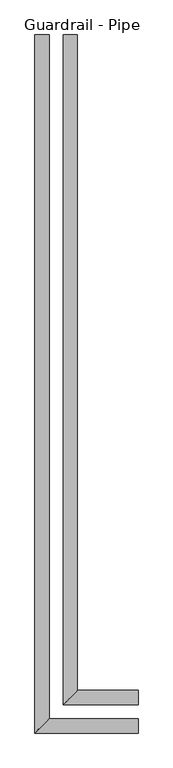
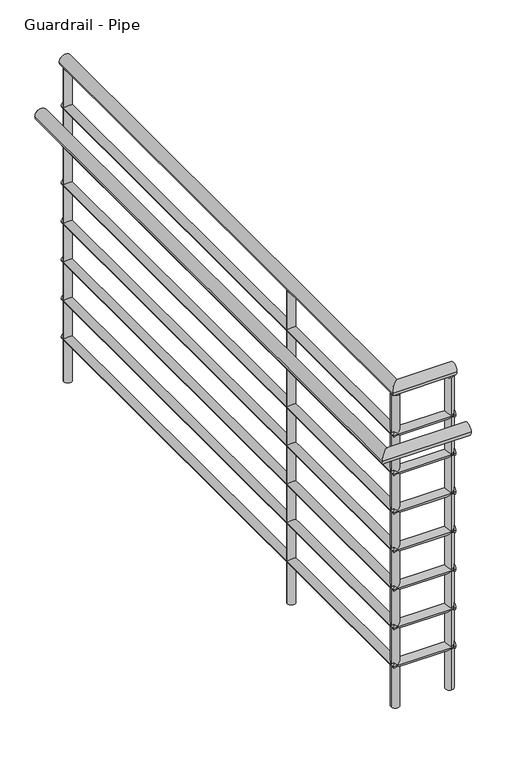
"""IFC4 building model written with IfcOpenShell, lengths in millimetres: railing geometry, Guardrail - Pipe."""

from ifc_helpers import new_model, si_unit, point, frame, frame_2d, origin, place, context, project, spatial, circle_curve, ellipse_curve, trimmed, segment, composite_curve, outline, extrude, source, transform, mapped, element, save
from ifc_brep_helpers import plane_surface, cylinder_surface, advanced_brep


def guardrail_pipe_7a0fd246(model_context):
    return source(origin(), model_context, "Body", "SolidModel", [
        advanced_brep(
        [(2522.9534014, 3422.4830185, 1197.75), (2561.0534014, 3422.4830185, 1197.75), (2723.7534014, 1623.5558469, 1197.75), (2723.7534014, 1661.6558469, 1197.75), (2522.9534014, 1623.5558469, 1197.75), (2561.0534014, 1661.6558469, 1197.75)],
        [
            (0, 1, circle_curve(frame((2542.0034014, 3422.4830185, 1197.75), z_axis=(0.0, 1.0, 0.0), x_axis=(1.0, 0.0, 0.0)), 19.05)),
            (1, 0, circle_curve(frame((2542.0034014, 3422.4830185, 1197.75), z_axis=(0.0, 1.0, 0.0), x_axis=(1.0, 0.0, 0.0)), 19.05)),
            (2, 3, circle_curve(frame((2723.7534014, 1642.6058469, 1197.75), z_axis=(1.0, 0.0, 0.0), x_axis=(0.0, 1.0, 0.0)), 19.05)),
            (3, 2, circle_curve(frame((2723.7534014, 1642.6058469, 1197.75), z_axis=(1.0, 0.0, 0.0), x_axis=(0.0, 1.0, 0.0)), 19.05)),
            (0, 4),
            (4, 5, ellipse_curve(frame((2542.0034014, 1642.6058469, 1197.75), z_axis=(-0.7071067811865455, 0.7071067811865497, 0.0), x_axis=(0.7071067811865498, 0.7071067811865452, 0.0)), 26.9407684, 19.05)),
            (5, 1),
            (5, 4, ellipse_curve(frame((2542.0034014, 1642.6058469, 1197.75), z_axis=(-0.7071067811865455, 0.7071067811865497, 0.0), x_axis=(0.7071067811865498, 0.7071067811865452, 0.0)), 26.9407684, 19.05)),
            (4, 2),
            (3, 5),
        ],
        [
            plane_surface(frame((2542.0034014, 3422.4830185, 1216.8), z_axis=(0.0, 1.0, 0.0), x_axis=(0.0, 0.0, -1.0))),
            plane_surface(frame((2723.7534014, 1642.6058469, 1216.8), z_axis=(1.0, 0.0, 0.0), x_axis=(0.0, 1.0, 0.0))),
            cylinder_surface(frame((2542.0034014, 3422.4830185, 1197.75), z_axis=(0.0, 1.0, 0.0), x_axis=(1.0, 0.0, 0.0)), 19.05),
            cylinder_surface(frame((2542.0034014, 1642.6058469, 1197.75), z_axis=(-1.0, 0.0, 0.0), x_axis=(0.0, 1.0, 0.0)), 19.05),
        ],
        [
            (0, [[1, 2]]),
            (1, [[3, 4]]),
            (2, [[-1, 5, 6, 7]]),
            (2, [[-2, -7, 8, -5]]),
            (3, [[-6, 9, -4, 10]]),
            (3, [[-8, -10, -3, -9]]),
        ],
    ),
        advanced_brep(
        [(2529.3034014, 3422.4830185, 1051.7), (2554.7034014, 3422.4830185, 1051.7), (2529.3034014, 1629.9058469, 1051.7), (2554.7034014, 1655.3058469, 1051.7), (2723.7534014, 1629.9058469, 1051.7), (2723.7534014, 1655.3058469, 1051.7)],
        [
            (0, 1, circle_curve(frame((2542.0034014, 3422.4830185, 1051.7), z_axis=(0.0, 1.0, 0.0), x_axis=(1.0, 0.0, 0.0)), 12.7)),
            (1, 0, circle_curve(frame((2542.0034014, 3422.4830185, 1051.7), z_axis=(0.0, 1.0, 0.0), x_axis=(1.0, 0.0, 0.0)), 12.7)),
            (0, 2),
            (2, 3, ellipse_curve(frame((2542.0034014, 1642.6058469, 1051.7), z_axis=(-0.7071067811865455, 0.7071067811865497, 0.0), x_axis=(0.7071067811865498, 0.7071067811865452, 0.0)), 17.9605122, 12.7)),
            (3, 1),
            (3, 2, ellipse_curve(frame((2542.0034014, 1642.6058469, 1051.7), z_axis=(-0.7071067811865455, 0.7071067811865497, 0.0), x_axis=(0.7071067811865498, 0.7071067811865452, 0.0)), 17.9605122, 12.7)),
            (4, 5, circle_curve(frame((2723.7534014, 1642.6058469, 1051.7), z_axis=(1.0, 0.0, 0.0), x_axis=(0.0, 1.0, 0.0)), 12.7)),
            (5, 4, circle_curve(frame((2723.7534014, 1642.6058469, 1051.7), z_axis=(1.0, 0.0, 0.0), x_axis=(0.0, 1.0, 0.0)), 12.7)),
            (2, 4),
            (5, 3),
        ],
        [
            plane_surface(frame((2542.0034014, 3422.4830185, 1064.4), z_axis=(0.0, 1.0, 0.0), x_axis=(0.0, 0.0, -1.0))),
            cylinder_surface(frame((2542.0034014, 3422.4830185, 1051.7), z_axis=(0.0, 1.0, 0.0), x_axis=(1.0, 0.0, 0.0)), 12.7),
            plane_surface(frame((2723.7534014, 1642.6058469, 1064.4), z_axis=(1.0, 0.0, 0.0), x_axis=(0.0, 1.0, 0.0))),
            cylinder_surface(frame((2542.0034014, 1642.6058469, 1051.7), z_axis=(-1.0, 0.0, 0.0), x_axis=(0.0, 1.0, 0.0)), 12.7),
        ],
        [
            (0, [[1, 2]]),
            (1, [[-1, 3, 4, 5]]),
            (1, [[-2, -5, 6, -3]]),
            (2, [[7, 8]]),
            (3, [[-4, 9, -8, 10]]),
            (3, [[-6, -10, -7, -9]]),
        ],
    ),
        advanced_brep(
        [(2446.7534014, 3422.4830185, 1045.35), (2484.8534014, 3422.4830185, 1045.35), (2446.7534014, 1547.3558469, 1045.35), (2484.8534014, 1585.4558469, 1045.35), (2723.7534014, 1547.3558469, 1045.35), (2723.7534014, 1585.4558469, 1045.35)],
        [
            (0, 1, circle_curve(frame((2465.8034014, 3422.4830185, 1045.35), z_axis=(0.0, 1.0, 0.0), x_axis=(1.0, 0.0, 0.0)), 19.05)),
            (1, 0, circle_curve(frame((2465.8034014, 3422.4830185, 1045.35), z_axis=(0.0, 1.0, 0.0), x_axis=(1.0, 0.0, 0.0)), 19.05)),
            (0, 2),
            (2, 3, ellipse_curve(frame((2465.8034014, 1566.4058469, 1045.35), z_axis=(-0.7071067811865455, 0.7071067811865497, 0.0), x_axis=(0.7071067811865498, 0.7071067811865452, 0.0)), 26.9407684, 19.05)),
            (3, 1),
            (3, 2, ellipse_curve(frame((2465.8034014, 1566.4058469, 1045.35), z_axis=(-0.7071067811865455, 0.7071067811865497, 0.0), x_axis=(0.7071067811865498, 0.7071067811865452, 0.0)), 26.9407684, 19.05)),
            (4, 5, circle_curve(frame((2723.7534014, 1566.4058469, 1045.35), z_axis=(1.0, 0.0, 0.0), x_axis=(0.0, 1.0, 0.0)), 19.05)),
            (5, 4, circle_curve(frame((2723.7534014, 1566.4058469, 1045.35), z_axis=(1.0, 0.0, 0.0), x_axis=(0.0, 1.0, 0.0)), 19.05)),
            (2, 4),
            (5, 3),
        ],
        [
            plane_surface(frame((2465.8034014, 3422.4830185, 1064.4), z_axis=(0.0, 1.0, 0.0), x_axis=(0.0, 0.0, -1.0))),
            cylinder_surface(frame((2465.8034014, 3422.4830185, 1045.35), z_axis=(0.0, 1.0, 0.0), x_axis=(1.0, 0.0, 0.0)), 19.05),
            plane_surface(frame((2723.7534014, 1566.4058469, 1064.4), z_axis=(1.0, 0.0, 0.0), x_axis=(0.0, 1.0, 0.0))),
            cylinder_surface(frame((2465.8034014, 1566.4058469, 1045.35), z_axis=(-1.0, 0.0, 0.0), x_axis=(0.0, 1.0, 0.0)), 19.05),
        ],
        [
            (0, [[1, 2]]),
            (1, [[-1, 3, 4, 5]]),
            (1, [[-2, -5, 6, -3]]),
            (2, [[7, 8]]),
            (3, [[-4, 9, -8, 10]]),
            (3, [[-6, -10, -7, -9]]),
        ],
    ),
        advanced_brep(
        [(2529.3034014, 3422.4830185, 924.7), (2554.7034014, 3422.4830185, 924.7), (2529.3034014, 1629.9058469, 924.7), (2554.7034014, 1655.3058469, 924.7), (2723.7534014, 1629.9058469, 924.7), (2723.7534014, 1655.3058469, 924.7)],
        [
            (0, 1, circle_curve(frame((2542.0034014, 3422.4830185, 924.7), z_axis=(0.0, 1.0, 0.0), x_axis=(1.0, 0.0, 0.0)), 12.7)),
            (1, 0, circle_curve(frame((2542.0034014, 3422.4830185, 924.7), z_axis=(0.0, 1.0, 0.0), x_axis=(1.0, 0.0, 0.0)), 12.7)),
            (0, 2),
            (2, 3, ellipse_curve(frame((2542.0034014, 1642.6058469, 924.7), z_axis=(-0.7071067811865455, 0.7071067811865497, 0.0), x_axis=(0.7071067811865498, 0.7071067811865452, 0.0)), 17.9605122, 12.7)),
            (3, 1),
            (3, 2, ellipse_curve(frame((2542.0034014, 1642.6058469, 924.7), z_axis=(-0.7071067811865455, 0.7071067811865497, 0.0), x_axis=(0.7071067811865498, 0.7071067811865452, 0.0)), 17.9605122, 12.7)),
            (4, 5, circle_curve(frame((2723.7534014, 1642.6058469, 924.7), z_axis=(1.0, 0.0, 0.0), x_axis=(0.0, 1.0, 0.0)), 12.7)),
            (5, 4, circle_curve(frame((2723.7534014, 1642.6058469, 924.7), z_axis=(1.0, 0.0, 0.0), x_axis=(0.0, 1.0, 0.0)), 12.7)),
            (2, 4),
            (5, 3),
        ],
        [
            plane_surface(frame((2542.0034014, 3422.4830185, 937.4), z_axis=(0.0, 1.0, 0.0), x_axis=(0.0, 0.0, -1.0))),
            cylinder_surface(frame((2542.0034014, 3422.4830185, 924.7), z_axis=(0.0, 1.0, 0.0), x_axis=(1.0, 0.0, 0.0)), 12.7),
            plane_surface(frame((2723.7534014, 1642.6058469, 937.4), z_axis=(1.0, 0.0, 0.0), x_axis=(0.0, 1.0, 0.0))),
            cylinder_surface(frame((2542.0034014, 1642.6058469, 924.7), z_axis=(-1.0, 0.0, 0.0), x_axis=(0.0, 1.0, 0.0)), 12.7),
        ],
        [
            (0, [[1, 2]]),
            (1, [[-1, 3, 4, 5]]),
            (1, [[-2, -5, 6, -3]]),
            (2, [[7, 8]]),
            (3, [[-4, 9, -8, 10]]),
            (3, [[-6, -10, -7, -9]]),
        ],
    ),
        advanced_brep(
        [(2529.3034014, 3422.4830185, 797.7), (2554.7034014, 3422.4830185, 797.7), (2529.3034014, 1629.9058469, 797.7), (2554.7034014, 1655.3058469, 797.7), (2723.7534014, 1629.9058469, 797.7), (2723.7534014, 1655.3058469, 797.7)],
        [
            (0, 1, circle_curve(frame((2542.0034014, 3422.4830185, 797.7), z_axis=(0.0, 1.0, 0.0), x_axis=(1.0, 0.0, 0.0)), 12.7)),
            (1, 0, circle_curve(frame((2542.0034014, 3422.4830185, 797.7), z_axis=(0.0, 1.0, 0.0), x_axis=(1.0, 0.0, 0.0)), 12.7)),
            (0, 2),
            (2, 3, ellipse_curve(frame((2542.0034014, 1642.6058469, 797.7), z_axis=(-0.7071067811865455, 0.7071067811865497, 0.0), x_axis=(0.7071067811865498, 0.7071067811865452, 0.0)), 17.9605122, 12.7)),
            (3, 1),
            (3, 2, ellipse_curve(frame((2542.0034014, 1642.6058469, 797.7), z_axis=(-0.7071067811865455, 0.7071067811865497, 0.0), x_axis=(0.7071067811865498, 0.7071067811865452, 0.0)), 17.9605122, 12.7)),
            (4, 5, circle_curve(frame((2723.7534014, 1642.6058469, 797.7), z_axis=(1.0, 0.0, 0.0), x_axis=(0.0, 1.0, 0.0)), 12.7)),
            (5, 4, circle_curve(frame((2723.7534014, 1642.6058469, 797.7), z_axis=(1.0, 0.0, 0.0), x_axis=(0.0, 1.0, 0.0)), 12.7)),
            (2, 4),
            (5, 3),
        ],
        [
            plane_surface(frame((2542.0034014, 3422.4830185, 810.4), z_axis=(0.0, 1.0, 0.0), x_axis=(0.0, 0.0, -1.0))),
            cylinder_surface(frame((2542.0034014, 3422.4830185, 797.7), z_axis=(0.0, 1.0, 0.0), x_axis=(1.0, 0.0, 0.0)), 12.7),
            plane_surface(frame((2723.7534014, 1642.6058469, 810.4), z_axis=(1.0, 0.0, 0.0), x_axis=(0.0, 1.0, 0.0))),
            cylinder_surface(frame((2542.0034014, 1642.6058469, 797.7), z_axis=(-1.0, 0.0, 0.0), x_axis=(0.0, 1.0, 0.0)), 12.7),
        ],
        [
            (0, [[1, 2]]),
            (1, [[-1, 3, 4, 5]]),
            (1, [[-2, -5, 6, -3]]),
            (2, [[7, 8]]),
            (3, [[-4, 9, -8, 10]]),
            (3, [[-6, -10, -7, -9]]),
        ],
    ),
        advanced_brep(
        [(2529.3034014, 3422.4830185, 670.7), (2554.7034014, 3422.4830185, 670.7), (2529.3034014, 1629.9058469, 670.7), (2554.7034014, 1655.3058469, 670.7), (2723.7534014, 1629.9058469, 670.7), (2723.7534014, 1655.3058469, 670.7)],
        [
            (0, 1, circle_curve(frame((2542.0034014, 3422.4830185, 670.7), z_axis=(0.0, 1.0, 0.0), x_axis=(1.0, 0.0, 0.0)), 12.7)),
            (1, 0, circle_curve(frame((2542.0034014, 3422.4830185, 670.7), z_axis=(0.0, 1.0, 0.0), x_axis=(1.0, 0.0, 0.0)), 12.7)),
            (0, 2),
            (2, 3, ellipse_curve(frame((2542.0034014, 1642.6058469, 670.7), z_axis=(-0.7071067811865455, 0.7071067811865497, 0.0), x_axis=(0.7071067811865498, 0.7071067811865452, 0.0)), 17.9605122, 12.7)),
            (3, 1),
            (3, 2, ellipse_curve(frame((2542.0034014, 1642.6058469, 670.7), z_axis=(-0.7071067811865455, 0.7071067811865497, 0.0), x_axis=(0.7071067811865498, 0.7071067811865452, 0.0)), 17.9605122, 12.7)),
            (4, 5, circle_curve(frame((2723.7534014, 1642.6058469, 670.7), z_axis=(1.0, 0.0, 0.0), x_axis=(0.0, 1.0, 0.0)), 12.7)),
            (5, 4, circle_curve(frame((2723.7534014, 1642.6058469, 670.7), z_axis=(1.0, 0.0, 0.0), x_axis=(0.0, 1.0, 0.0)), 12.7)),
            (2, 4),
            (5, 3),
        ],
        [
            plane_surface(frame((2542.0034014, 3422.4830185, 683.4), z_axis=(0.0, 1.0, 0.0), x_axis=(0.0, 0.0, -1.0))),
            cylinder_surface(frame((2542.0034014, 3422.4830185, 670.7), z_axis=(0.0, 1.0, 0.0), x_axis=(1.0, 0.0, 0.0)), 12.7),
            plane_surface(frame((2723.7534014, 1642.6058469, 683.4), z_axis=(1.0, 0.0, 0.0), x_axis=(0.0, 1.0, 0.0))),
            cylinder_surface(frame((2542.0034014, 1642.6058469, 670.7), z_axis=(-1.0, 0.0, 0.0), x_axis=(0.0, 1.0, 0.0)), 12.7),
        ],
        [
            (0, [[1, 2]]),
            (1, [[-1, 3, 4, 5]]),
            (1, [[-2, -5, 6, -3]]),
            (2, [[7, 8]]),
            (3, [[-4, 9, -8, 10]]),
            (3, [[-6, -10, -7, -9]]),
        ],
    ),
        advanced_brep(
        [(2529.3034014, 3422.4830185, 543.7), (2554.7034014, 3422.4830185, 543.7), (2529.3034014, 1629.9058469, 543.7), (2554.7034014, 1655.3058469, 543.7), (2723.7534014, 1629.9058469, 543.7), (2723.7534014, 1655.3058469, 543.7)],
        [
            (0, 1, circle_curve(frame((2542.0034014, 3422.4830185, 543.7), z_axis=(0.0, 1.0, 0.0), x_axis=(1.0, 0.0, 0.0)), 12.7)),
            (1, 0, circle_curve(frame((2542.0034014, 3422.4830185, 543.7), z_axis=(0.0, 1.0, 0.0), x_axis=(1.0, 0.0, 0.0)), 12.7)),
            (0, 2),
            (2, 3, ellipse_curve(frame((2542.0034014, 1642.6058469, 543.7), z_axis=(-0.7071067811865455, 0.7071067811865497, 0.0), x_axis=(0.7071067811865498, 0.7071067811865452, 0.0)), 17.9605122, 12.7)),
            (3, 1),
            (3, 2, ellipse_curve(frame((2542.0034014, 1642.6058469, 543.7), z_axis=(-0.7071067811865455, 0.7071067811865497, 0.0), x_axis=(0.7071067811865498, 0.7071067811865452, 0.0)), 17.9605122, 12.7)),
            (4, 5, circle_curve(frame((2723.7534014, 1642.6058469, 543.7), z_axis=(1.0, 0.0, 0.0), x_axis=(0.0, 1.0, 0.0)), 12.7)),
            (5, 4, circle_curve(frame((2723.7534014, 1642.6058469, 543.7), z_axis=(1.0, 0.0, 0.0), x_axis=(0.0, 1.0, 0.0)), 12.7)),
            (2, 4),
            (5, 3),
        ],
        [
            plane_surface(frame((2542.0034014, 3422.4830185, 556.4), z_axis=(0.0, 1.0, 0.0), x_axis=(0.0, 0.0, -1.0))),
            cylinder_surface(frame((2542.0034014, 3422.4830185, 543.7), z_axis=(0.0, 1.0, 0.0), x_axis=(1.0, 0.0, 0.0)), 12.7),
            plane_surface(frame((2723.7534014, 1642.6058469, 556.4), z_axis=(1.0, 0.0, 0.0), x_axis=(0.0, 1.0, 0.0))),
            cylinder_surface(frame((2542.0034014, 1642.6058469, 543.7), z_axis=(-1.0, 0.0, 0.0), x_axis=(0.0, 1.0, 0.0)), 12.7),
        ],
        [
            (0, [[1, 2]]),
            (1, [[-1, 3, 4, 5]]),
            (1, [[-2, -5, 6, -3]]),
            (2, [[7, 8]]),
            (3, [[-4, 9, -8, 10]]),
            (3, [[-6, -10, -7, -9]]),
        ],
    ),
        advanced_brep(
        [(2529.3034014, 3422.4830185, 416.7), (2554.7034014, 3422.4830185, 416.7), (2529.3034014, 1629.9058469, 416.7), (2554.7034014, 1655.3058469, 416.7), (2723.7534014, 1629.9058469, 416.7), (2723.7534014, 1655.3058469, 416.7)],
        [
            (0, 1, circle_curve(frame((2542.0034014, 3422.4830185, 416.7), z_axis=(0.0, 1.0, 0.0), x_axis=(1.0, 0.0, 0.0)), 12.7)),
            (1, 0, circle_curve(frame((2542.0034014, 3422.4830185, 416.7), z_axis=(0.0, 1.0, 0.0), x_axis=(1.0, 0.0, 0.0)), 12.7)),
            (0, 2),
            (2, 3, ellipse_curve(frame((2542.0034014, 1642.6058469, 416.7), z_axis=(-0.7071067811865455, 0.7071067811865497, 0.0), x_axis=(0.7071067811865498, 0.7071067811865452, 0.0)), 17.9605122, 12.7)),
            (3, 1),
            (3, 2, ellipse_curve(frame((2542.0034014, 1642.6058469, 416.7), z_axis=(-0.7071067811865455, 0.7071067811865497, 0.0), x_axis=(0.7071067811865498, 0.7071067811865452, 0.0)), 17.9605122, 12.7)),
            (4, 5, circle_curve(frame((2723.7534014, 1642.6058469, 416.7), z_axis=(1.0, 0.0, 0.0), x_axis=(0.0, 1.0, 0.0)), 12.7)),
            (5, 4, circle_curve(frame((2723.7534014, 1642.6058469, 416.7), z_axis=(1.0, 0.0, 0.0), x_axis=(0.0, 1.0, 0.0)), 12.7)),
            (2, 4),
            (5, 3),
        ],
        [
            plane_surface(frame((2542.0034014, 3422.4830185, 429.4), z_axis=(0.0, 1.0, 0.0), x_axis=(0.0, 0.0, -1.0))),
            cylinder_surface(frame((2542.0034014, 3422.4830185, 416.7), z_axis=(0.0, 1.0, 0.0), x_axis=(1.0, 0.0, 0.0)), 12.7),
            plane_surface(frame((2723.7534014, 1642.6058469, 429.4), z_axis=(1.0, 0.0, 0.0), x_axis=(0.0, 1.0, 0.0))),
            cylinder_surface(frame((2542.0034014, 1642.6058469, 416.7), z_axis=(-1.0, 0.0, 0.0), x_axis=(0.0, 1.0, 0.0)), 12.7),
        ],
        [
            (0, [[1, 2]]),
            (1, [[-1, 3, 4, 5]]),
            (1, [[-2, -5, 6, -3]]),
            (2, [[7, 8]]),
            (3, [[-4, 9, -8, 10]]),
            (3, [[-6, -10, -7, -9]]),
        ],
    ),
        advanced_brep(
        [(2529.3034014, 3422.4830185, 289.7), (2554.7034014, 3422.4830185, 289.7), (2529.3034014, 1629.9058469, 289.7), (2554.7034014, 1655.3058469, 289.7), (2723.7534014, 1629.9058469, 289.7), (2723.7534014, 1655.3058469, 289.7)],
        [
            (0, 1, circle_curve(frame((2542.0034014, 3422.4830185, 289.7), z_axis=(0.0, 1.0, 0.0), x_axis=(1.0, 0.0, 0.0)), 12.7)),
            (1, 0, circle_curve(frame((2542.0034014, 3422.4830185, 289.7), z_axis=(0.0, 1.0, 0.0), x_axis=(1.0, 0.0, 0.0)), 12.7)),
            (0, 2),
            (2, 3, ellipse_curve(frame((2542.0034014, 1642.6058469, 289.7), z_axis=(-0.7071067811865455, 0.7071067811865497, 0.0), x_axis=(0.7071067811865498, 0.7071067811865452, 0.0)), 17.9605122, 12.7)),
            (3, 1),
            (3, 2, ellipse_curve(frame((2542.0034014, 1642.6058469, 289.7), z_axis=(-0.7071067811865455, 0.7071067811865497, 0.0), x_axis=(0.7071067811865498, 0.7071067811865452, 0.0)), 17.9605122, 12.7)),
            (4, 5, circle_curve(frame((2723.7534014, 1642.6058469, 289.7), z_axis=(1.0, 0.0, 0.0), x_axis=(0.0, 1.0, 0.0)), 12.7)),
            (5, 4, circle_curve(frame((2723.7534014, 1642.6058469, 289.7), z_axis=(1.0, 0.0, 0.0), x_axis=(0.0, 1.0, 0.0)), 12.7)),
            (2, 4),
            (5, 3),
        ],
        [
            plane_surface(frame((2542.0034014, 3422.4830185, 302.4), z_axis=(0.0, 1.0, 0.0), x_axis=(0.0, 0.0, -1.0))),
            cylinder_surface(frame((2542.0034014, 3422.4830185, 289.7), z_axis=(0.0, 1.0, 0.0), x_axis=(1.0, 0.0, 0.0)), 12.7),
            plane_surface(frame((2723.7534014, 1642.6058469, 302.4), z_axis=(1.0, 0.0, 0.0), x_axis=(0.0, 1.0, 0.0))),
            cylinder_surface(frame((2542.0034014, 1642.6058469, 289.7), z_axis=(-1.0, 0.0, 0.0), x_axis=(0.0, 1.0, 0.0)), 12.7),
        ],
        [
            (0, [[1, 2]]),
            (1, [[-1, 3, 4, 5]]),
            (1, [[-2, -5, 6, -3]]),
            (2, [[7, 8]]),
            (3, [[-4, 9, -8, 10]]),
            (3, [[-6, -10, -7, -9]]),
        ],
    ),
        extrude(outline(composite_curve([segment(trimmed(circle_curve(frame_2d((2542.0034014, 2203.2830185)), 12.7), [point((2529.3034014, 2203.2830185))], [point((2554.7034014, 2203.2830185))], False, "CARTESIAN"), True, "CONTINUOUS"), segment(trimmed(circle_curve(frame_2d((2542.0034014, 2203.2830185)), 12.7), [point((2554.7034014, 2203.2830185))], [point((2529.3034014, 2203.2830185))], False, "CARTESIAN"), True, "CONTINUOUS")], self_intersect=False)), frame((0.0, 0.0, 150.0), z_axis=(0.0, 0.0, 1.0), x_axis=(1.0, 0.0, 0.0)), (0.0, 0.0, 1.0), 1028.7),
        extrude(outline(composite_curve([segment(trimmed(circle_curve(frame_2d((2542.0034014, 1642.6058469)), 12.7), [point((2529.3034014, 1642.6058469))], [point((2554.7034014, 1642.6058469))], False, "CARTESIAN"), True, "CONTINUOUS"), segment(trimmed(circle_curve(frame_2d((2542.0034014, 1642.6058469)), 12.7), [point((2554.7034014, 1642.6058469))], [point((2529.3034014, 1642.6058469))], False, "CARTESIAN"), True, "CONTINUOUS")], self_intersect=False)), frame((0.0, 0.0, 150.0), z_axis=(0.0, 0.0, 1.0), x_axis=(1.0, 0.0, 0.0)), (0.0, 0.0, 1.0), 1028.7),
        extrude(outline(composite_curve([segment(trimmed(circle_curve(frame_2d((2711.0534014, 1642.6058469)), 12.7), [point((2711.0534014, 1629.9058469))], [point((2711.0534014, 1655.3058469))], False, "CARTESIAN"), True, "CONTINUOUS"), segment(trimmed(circle_curve(frame_2d((2711.0534014, 1642.6058469)), 12.7), [point((2711.0534014, 1655.3058469))], [point((2711.0534014, 1629.9058469))], False, "CARTESIAN"), True, "CONTINUOUS")], self_intersect=False)), frame((0.0, 0.0, 150.0), z_axis=(0.0, 0.0, 1.0), x_axis=(1.0, 0.0, 0.0)), (0.0, 0.0, 1.0), 1028.7),
        extrude(outline(composite_curve([segment(trimmed(circle_curve(frame_2d((2542.0034014, 3409.7830185)), 12.7), [point((2529.3034014, 3409.7830185))], [point((2554.7034014, 3409.7830185))], False, "CARTESIAN"), True, "CONTINUOUS"), segment(trimmed(circle_curve(frame_2d((2542.0034014, 3409.7830185)), 12.7), [point((2554.7034014, 3409.7830185))], [point((2529.3034014, 3409.7830185))], False, "CARTESIAN"), True, "CONTINUOUS")], self_intersect=False)), frame((0.0, 0.0, 150.0), z_axis=(0.0, 0.0, 1.0), x_axis=(1.0, 0.0, 0.0)), (0.0, 0.0, 1.0), 1028.7),
    ])


if __name__ == "__main__":
    model = new_model("IFC4")
    model_context = context("Model", 3, world=origin())
    ifc_project = project(units=[si_unit("LENGTHUNIT", "METRE", prefix="MILLI")], contexts=[model_context])
    site = spatial("IfcSite", under=ifc_project)
    building = spatial("IfcBuilding", under=site)
    placement = place(None, origin())
    guardrail_pipe_shape = guardrail_pipe_7a0fd246(model_context)
    element("IfcRailing", 1, ObjectType="Guardrail - Pipe", at=placement, inside=building, context=model_context, shape_type="MappedRepresentation", body=[
        mapped(guardrail_pipe_shape, transform((0.0, 0.0, 0.0), x_axis=(1.0, 0.0, 0.0), y_axis=(0.0, 1.0, 0.0), z_axis=(0.0, 0.0, 1.0))),
    ])
    save(model, "model.ifc")
